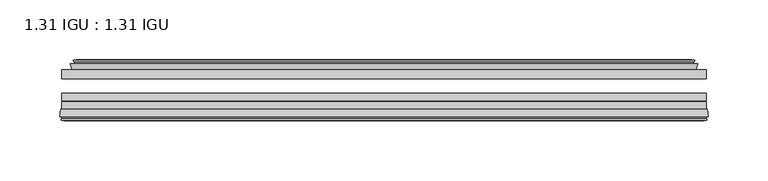
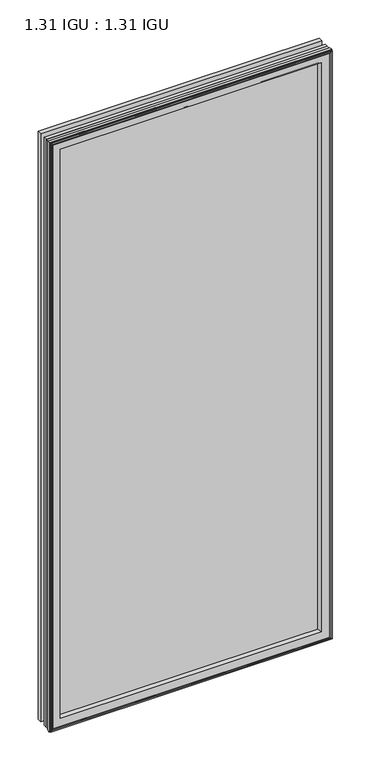
"""IFC4 building model written with IfcOpenShell, lengths in millimetres: plate geometry, 1.31 IGU : 1.31 IGU."""

import ifcopenshell
import ifcopenshell.guid

model = None  # the IFC model being written
_history = None  # IfcOwnerHistory: only IFC2X3 demands one
_inside = {}  # id of a spatial element -> (the spatial element, [elements in it])
_under = {}  # id of a project, library or spatial element -> (it, [spatial elements below it])
_declared = {}  # id of a project -> (the project, [libraries it declares])
_typed = {}  # id of a type object -> (the type object, [elements of that type])
_made_of = {}  # id of a material, layer set ... -> (it, [elements and type objects made of it])


def new_model(schema):
    """Start an empty IFC model of exactly this schema.

    Asked for "IFC4X3", IfcOpenShell would pick the latest addendum, in which some entities
    have other attributes; the version numbers below select the first issue.
    IFC2X3 requires an IfcOwnerHistory on every rooted entity: one is made here for all.
    """
    global model, _history
    if schema == "IFC4X3":
        model = ifcopenshell.file(schema_version=(4, 3, 0, 0))
    else:
        model = ifcopenshell.file(schema=schema)
    _inside.clear()
    _under.clear()
    _declared.clear()
    _typed.clear()
    _made_of.clear()
    _history = None
    if model.schema == "IFC2X3":
        org = make("IfcOrganization", Name="unknown")
        user = make(
            "IfcPersonAndOrganization",
            ThePerson=make("IfcPerson", FamilyName="unknown"),
            TheOrganization=org,
        )
        app = make(
            "IfcApplication",
            ApplicationDeveloper=org,
            Version="unknown",
            ApplicationFullName="unknown",
            ApplicationIdentifier="unknown",
        )
        _history = make(
            "IfcOwnerHistory",
            OwningUser=user,
            OwningApplication=app,
            ChangeAction="ADDED",
            CreationDate=0,
        )
    return model


def make(cls, **values):
    """One entity of the class cls with the attributes given. An attribute that is None is left unset."""
    return model.create_entity(
        cls, **{name: value for name, value in values.items() if value is not None}
    )


def rooted(cls, **values):
    """An entity with a GlobalId (a new one), such as an element, a storey or a relation."""
    return make(cls, GlobalId=ifcopenshell.guid.new(), OwnerHistory=_history, **values)


def si_unit(unit_type, name, prefix=None):
    """IfcSIUnit, for example si_unit("LENGTHUNIT", "METRE", prefix="MILLI")."""
    return make("IfcSIUnit", UnitType=unit_type, Prefix=prefix, Name=name)


def assignment(units):
    """IfcUnitAssignment: the units of a project."""
    return None if units is None else make("IfcUnitAssignment", Units=units)


def point(xyz):
    """IfcCartesianPoint."""
    return None if xyz is None else make("IfcCartesianPoint", Coordinates=xyz)


def direction(xyz):
    """IfcDirection."""
    return None if xyz is None else make("IfcDirection", DirectionRatios=xyz)


def frame(location, z_axis=None, x_axis=None):
    """IfcAxis2Placement3D, a coordinate frame: its origin and axes. An axis left out is left unset."""
    return make(
        "IfcAxis2Placement3D",
        Location=point(location),
        Axis=direction(z_axis),
        RefDirection=direction(x_axis),
    )


def origin():
    """The frame at (0, 0, 0) with its axes left unset."""
    return frame((0.0, 0.0, 0.0))


def place(relative_to, where):
    """IfcLocalPlacement: puts the frame where relative to a parent placement (None: the world)."""
    return make(
        "IfcLocalPlacement", PlacementRelTo=relative_to, RelativePlacement=where
    )


def context(
    kind, dimensions, precision=None, world=None, true_north=None, identifier=None
):
    """IfcGeometricRepresentationContext, for example the 3D "Model" context."""
    return make(
        "IfcGeometricRepresentationContext",
        ContextIdentifier=identifier,
        ContextType=kind,
        CoordinateSpaceDimension=dimensions,
        Precision=precision,
        WorldCoordinateSystem=world,
        TrueNorth=true_north,
    )


def project(units=None, contexts=None):
    """IfcProject with its units and contexts."""
    return rooted(
        "IfcProject",
        Name="project",
        RepresentationContexts=contexts,
        UnitsInContext=assignment(units),
    )


def spatial(cls, under=None, at=None, **own):
    """A site, building, storey or space (cls), placed at a placement, below another one or the project."""
    s = rooted(cls, ObjectPlacement=at, **own)
    if under is not None:
        _under.setdefault(under.id(), (under, []))[1].append(s)
    return s


def polyline(points):
    """IfcPolyline through the points."""
    return make("IfcPolyline", Points=[point(p) for p in points])


def ellipse_curve(where, semi_axis1, semi_axis2):
    """IfcEllipse in the frame where."""
    return make(
        "IfcEllipse", Position=where, SemiAxis1=semi_axis1, SemiAxis2=semi_axis2
    )


def outline(outer, holes=None, kind="AREA"):
    """IfcArbitraryClosedProfileDef: a profile drawn as a closed curve; with holes, ...WithVoids."""
    if holes is None:
        return make("IfcArbitraryClosedProfileDef", ProfileType=kind, OuterCurve=outer)
    return make(
        "IfcArbitraryProfileDefWithVoids",
        ProfileType=kind,
        OuterCurve=outer,
        InnerCurves=holes,
    )


def extrude(swept, where, along, depth):
    """IfcExtrudedAreaSolid: the profile swept, set in the frame where, extruded along a direction by depth."""
    return make(
        "IfcExtrudedAreaSolid",
        SweptArea=swept,
        Position=where,
        ExtrudedDirection=direction(along),
        Depth=depth,
    )


def faces_of(points, faces, orient=None, outer=None):
    """IfcFace entities. A face is a list of loops; a loop is a list of indices into points, from 0.

    orient and outer hold one flag for each loop. By default every Orientation is true, the
    first loop of a face is its IfcFaceOuterBound and the others are IfcFaceBound.
    """
    made = []
    for i, loops in enumerate(faces):
        bounds = []
        for j, loop in enumerate(loops):
            is_outer = j == 0 if outer is None else outer[i][j]
            bounds.append(
                make(
                    "IfcFaceOuterBound" if is_outer else "IfcFaceBound",
                    Bound=make("IfcPolyLoop", Polygon=[points[k] for k in loop]),
                    Orientation=True if orient is None else orient[i][j],
                )
            )
        made.append(make("IfcFace", Bounds=bounds))
    return made


def faceted_brep(points, faces, orient=None, outer=None, voids=None):
    """IfcFacetedBrep: a solid bounded by flat faces; with voids (closed shells), ...WithVoids."""
    shared = [point(p) for p in points]
    hull = make("IfcClosedShell", CfsFaces=faces_of(shared, faces, orient, outer))
    if voids is None:
        return make("IfcFacetedBrep", Outer=hull)
    return make(
        "IfcFacetedBrepWithVoids",
        Outer=hull,
        Voids=[
            make(cls, CfsFaces=faces_of(shared, fs, o, b)) for cls, fs, o, b in voids
        ],
    )


def shape(context_of_items, identifier, shape_type, items):
    """IfcShapeRepresentation: the items that make up one representation, for example the "Body"."""
    return make(
        "IfcShapeRepresentation",
        ContextOfItems=context_of_items,
        RepresentationIdentifier=identifier,
        RepresentationType=shape_type,
        Items=items,
    )


def source(mapping_origin, context_of_items, identifier, shape_type, items):
    """IfcRepresentationMap: a shape defined once, which mapped items show again and again."""
    return make(
        "IfcRepresentationMap",
        MappingOrigin=mapping_origin,
        MappedRepresentation=shape(context_of_items, identifier, shape_type, items),
    )


def transform(
    local_origin,
    x_axis=None,
    y_axis=None,
    z_axis=None,
    scale=None,
    scale2=None,
    scale3=None,
    uniform=True,
):
    """IfcCartesianTransformationOperator3D, or its non-uniform kind. x_axis, y_axis, z_axis: its Axis1, 2, 3."""
    if uniform:
        return make(
            "IfcCartesianTransformationOperator3D",
            Axis1=direction(x_axis),
            Axis2=direction(y_axis),
            LocalOrigin=point(local_origin),
            Scale=scale,
            Axis3=direction(z_axis),
        )
    return make(
        "IfcCartesianTransformationOperator3DnonUniform",
        Axis1=direction(x_axis),
        Axis2=direction(y_axis),
        LocalOrigin=point(local_origin),
        Scale=scale,
        Axis3=direction(z_axis),
        Scale2=scale2,
        Scale3=scale3,
    )


def mapped(mapping_source, mapping_target):
    """IfcMappedItem: shows the shape of a source again, moved by a transform."""
    return make(
        "IfcMappedItem", MappingSource=mapping_source, MappingTarget=mapping_target
    )


def made_of(thing, what):
    """Note that an element or type object is made of a material, layer set ...; save() writes the relation."""
    if what is not None:
        _made_of.setdefault(what.id(), (what, []))[1].append(thing)
    return thing


def element(
    cls,
    number,
    at=None,
    inside=None,
    cuts=None,
    type_object=None,
    material=None,
    context=None,
    identifier="Body",
    shape_type=None,
    held_by="IfcProductDefinitionShape",
    body=None,
    shapes=None,
    **own,
):
    """One element of the class cls, such as IfcWall. Its Tag is "e" and its number.

    at: its placement. inside: the storey or other place that contains it. cuts: it is an
    opening in that element (IfcRelVoidsElement). A single representation is given by context,
    identifier, shape_type and body (its items); several are given by shapes. held_by: the class
    of the entity that holds the representations. save() writes the other relations.
    """
    e = rooted(cls, Tag="e%d" % number, ObjectPlacement=at, **own)
    if body is not None:
        shapes = [shape(context, identifier, shape_type, body)]
    if shapes is not None:
        e.Representation = make(held_by, Representations=shapes)
    if inside is not None:
        _inside.setdefault(inside.id(), (inside, []))[1].append(e)
    if cuts is not None:
        rooted(
            "IfcRelVoidsElement", RelatingBuildingElement=cuts, RelatedOpeningElement=e
        )
    if type_object is not None:
        _typed.setdefault(type_object.id(), (type_object, []))[1].append(e)
    return made_of(e, material)


def aggregate(whole, parts):
    """IfcRelAggregates: a whole, such as a stair, and the parts it consists of."""
    return rooted("IfcRelAggregates", RelatingObject=whole, RelatedObjects=parts)


def save(model, path):
    """Write the relations noted so far, then the file.

    IfcRelAggregates (storeys below a building ...), IfcRelContainedInSpatialStructure (elements
    in a storey), IfcRelDefinesByType, IfcRelAssociatesMaterial and IfcRelDeclares: one each for
    every whole, place, type object, material and project.
    """
    for whole, parts in _under.values():
        aggregate(whole, parts)
    for where, things in _inside.values():
        rooted(
            "IfcRelContainedInSpatialStructure",
            RelatedElements=things,
            RelatingStructure=where,
        )
    for kind, things in _typed.values():
        rooted("IfcRelDefinesByType", RelatedObjects=things, RelatingType=kind)
    for what, things in _made_of.values():
        rooted("IfcRelAssociatesMaterial", RelatedObjects=things, RelatingMaterial=what)
    for by, libraries in _declared.values():
        rooted("IfcRelDeclares", RelatingContext=by, RelatedDefinitions=libraries)
    model.write(path)


def plane_surface(at):
    """IfcPlane: the flat surface through the origin of the frame at, square to its z axis."""
    return make("IfcPlane", Position=at)


def revolved_surface(curve, axis_point, axis_direction):
    """IfcSurfaceOfRevolution: the curve turned about the line through axis_point along axis_direction."""
    return make(
        "IfcSurfaceOfRevolution",
        SweptCurve=make("IfcArbitraryOpenProfileDef", ProfileType="CURVE", Curve=curve),
        AxisPosition=make("IfcAxis1Placement", Location=point(axis_point), Axis=direction(axis_direction)),
    )


def advanced_brep(points, edges, surfaces, faces):
    """IfcAdvancedBrep: a solid bounded by faces that lie on surfaces and meet in shared edges.

    An edge is (start, end): straight between two places in points (the first is 0);
    or (start, end, curve); or (start, end, curve, False) where it runs against its curve.
    A face is (place in surfaces, loops), or (place, loops, False) where it looks against
    its surface's normal. A loop lists edges by number (the first is 1), with a minus sign
    where the edge is run from its end to its start. The first loop is the outer one.
    """
    corners = [point(p) for p in points]
    vertices = [make("IfcVertexPoint", VertexGeometry=c) for c in corners]
    made = []
    for start, end, *more in edges:
        made.append(
            make(
                "IfcEdgeCurve",
                EdgeStart=vertices[start],
                EdgeEnd=vertices[end],
                EdgeGeometry=more[0] if more else make("IfcPolyline", Points=[corners[start], corners[end]]),
                SameSense=more[1] if len(more) > 1 else True,
            )
        )
    hull = []
    for where, loops, *sense in faces:
        bounds = []
        for j, loop in enumerate(loops):
            ring = [make("IfcOrientedEdge", EdgeElement=made[abs(k) - 1], Orientation=k > 0) for k in loop]
            bounds.append(
                make(
                    "IfcFaceOuterBound" if j == 0 else "IfcFaceBound",
                    Bound=make("IfcEdgeLoop", EdgeList=ring),
                    Orientation=True,
                )
            )
        hull.append(make("IfcAdvancedFace", Bounds=bounds, FaceSurface=surfaces[where], SameSense=sense[0] if sense else True))
    return make("IfcAdvancedBrep", Outer=make("IfcClosedShell", CfsFaces=hull))


def plate_1_31_igu_1_31_igu_ef338172(model_context):
    return source(origin(), model_context, "Body", "SolidModel", [
        extrude(outline(polyline([(269.875, -17.9712937), (269.875, -25.8960937), (-269.875, -25.8960937), (-269.875, -17.9712937), (269.875, -17.9712937)])), frame((0.0, 0.0, -19.05), z_axis=(0.0, 0.0, 1.0), x_axis=(1.0, 0.0, 0.0)), (0.0, 0.0, 1.0), 1193.8),
        extrude(outline(polyline([(-269.875, -51.2960937), (-269.875, -44.9460937), (269.875, -44.9460937), (269.875, -51.2960937), (-269.875, -51.2960937)])), frame((0.0, 0.0, -19.05), z_axis=(0.0, 0.0, 1.0), x_axis=(1.0, 0.0, 0.0)), (0.0, 0.0, 1.0), 1193.8),
        extrude(outline(polyline([(-269.875, -44.1586938), (-269.875, -37.8086938), (269.875, -37.8086938), (269.875, -44.1586938), (-269.875, -44.1586938)])), frame((0.0, 0.0, -19.05), z_axis=(0.0, 0.0, 1.0), x_axis=(1.0, 0.0, 0.0)), (0.0, 0.0, 1.0), 1193.8),
        faceted_brep([(-260.9564005, -17.9712937, 1165.8314005), (-262.6006337, -13.1960937, 1167.4756337), (-262.6006337, -13.1960937, -11.7756337), (-260.9564005, -17.9712937, -10.1314005), (-251.3457, -13.1960937, 1156.2207), (-250.1762695, -17.9712937, 1155.0512695), (-250.1762695, -17.9712937, 0.6487305), (-251.3457, -13.1960937, -0.5207), (-256.9104203, -10.902778, 1161.7854203), (-256.2959281, -13.1960937, 1161.1709281), (-256.2959281, -13.1960937, -5.4709281), (-256.9104203, -10.902778, -6.0854203), (-255.5181709, -11.27583, 1160.3931709), (-255.5181709, -11.27583, -4.6931709), (-255.2868537, -10.4125422, 1160.1618537), (-255.2868537, -10.4125422, -4.4618537), (-257.6957, -9.7670937, 1162.5707), (-257.6957, -9.7670937, -6.8707), (-260.1045463, -10.4125422, 1164.9795463), (-260.1045463, -10.4125422, -9.2795463), (-259.8732291, -11.27583, 1164.7482291), (-259.8732291, -11.27583, -9.0482291), (-258.4864014, -10.9042307, 1163.3614014), (-258.4864014, -10.9042307, -7.6614014), (-259.2310729, -13.1960937, 1164.1060729), (-259.2310729, -13.1960937, -8.4060729), (262.6006337, -13.1960937, -11.7756337), (260.9564005, -17.9712937, -10.1314005), (250.1762695, -17.9712937, 0.6487305), (251.3457, -13.1960937, -0.5207), (256.2959281, -13.1960937, -5.4709281), (256.9104203, -10.902778, -6.0854203), (255.5181709, -11.27583, -4.6931709), (255.2868537, -10.4125422, -4.4618537), (257.6957, -9.7670937, -6.8707), (260.1045463, -10.4125422, -9.2795463), (259.8732291, -11.27583, -9.0482291), (258.4864014, -10.9042307, -7.6614014), (259.2310729, -13.1960937, -8.4060729), (262.6006337, -13.1960937, 1167.4756337), (260.9564005, -17.9712937, 1165.8314005), (250.1762695, -17.9712937, 1155.0512695), (251.3457, -13.1960937, 1156.2207), (256.2959281, -13.1960937, 1161.1709281), (256.9104203, -10.902778, 1161.7854203), (255.5181709, -11.27583, 1160.3931709), (255.2868537, -10.4125422, 1160.1618537), (257.6957, -9.7670937, 1162.5707), (260.1045463, -10.4125422, 1164.9795463), (259.8732291, -11.27583, 1164.7482291), (258.4864014, -10.9042307, 1163.3614014), (259.2310729, -13.1960937, 1164.1060729)], [[[0, 1, 2, 3]], [[4, 5, 6, 7]], [[8, 9, 10, 11]], [[12, 8, 11, 13]], [[14, 12, 13, 15]], [[16, 14, 15, 17]], [[18, 16, 17, 19]], [[20, 18, 19, 21]], [[22, 20, 21, 23]], [[24, 22, 23, 25]], [[3, 2, 26, 27]], [[7, 6, 28, 29]], [[11, 10, 30, 31]], [[13, 11, 31, 32]], [[15, 13, 32, 33]], [[17, 15, 33, 34]], [[19, 17, 34, 35]], [[21, 19, 35, 36]], [[23, 21, 36, 37]], [[25, 23, 37, 38]], [[27, 26, 39, 40]], [[29, 28, 41, 42]], [[31, 30, 43, 44]], [[32, 31, 44, 45]], [[33, 32, 45, 46]], [[34, 33, 46, 47]], [[35, 34, 47, 48]], [[36, 35, 48, 49]], [[37, 36, 49, 50]], [[38, 37, 50, 51]], [[40, 39, 1, 0]], [[3, 27, 40, 0], [5, 41, 28, 6]], [[42, 41, 5, 4]], [[9, 43, 30, 10], [7, 29, 42, 4]], [[44, 43, 9, 8]], [[45, 44, 8, 12]], [[46, 45, 12, 14]], [[47, 46, 14, 16]], [[48, 47, 16, 18]], [[49, 48, 18, 20]], [[50, 49, 20, 22]], [[51, 50, 22, 24]], [[1, 39, 26, 2], [25, 38, 51, 24]]]),
        advanced_brep(
        [(-247.1876851, -51.2960937, 1152.0626851), (-250.825, -57.6460937, 1155.7), (-250.825, -57.6460937, 0.0), (-247.1876851, -51.2960937, 3.6373149), (-271.4707783, -57.6460937, 1176.3457783), (-270.6910964, -51.2960937, 1175.5660964), (-270.6910964, -51.2960937, -19.8660964), (-271.4707783, -57.6460937, -20.6457783), (-269.0707744, -59.6558685, 1173.9457744), (-269.5298013, -57.6460937, 1174.4048013), (-269.5298013, -57.6460937, -18.7048013), (-269.0707744, -59.6558685, -18.2457744), (-270.0544588, -59.3738016, 1174.9294588), (-270.0544588, -59.3738016, -19.2294588), (-270.3079433, -60.2578071, 1175.1829433), (-270.3079433, -60.2578071, -19.4829433), (-268.2849998, -60.8378768, 1173.1599998), (-268.2849998, -60.8378768, -17.4599998), (-266.2413389, -60.2902795, 1171.1163389), (-266.2413389, -60.2902795, -15.4163389), (-266.4862083, -59.3764147, 1171.3612083), (-266.4862083, -59.3764147, -15.6612083), (-267.5088421, -59.6504286, 1172.3838421), (-267.5088421, -59.6504286, -16.6838421), (-267.0461049, -57.6460937, 1171.9211049), (-267.0461049, -57.6460937, -16.2211049), (250.825, -57.6460938, 0.0), (247.1876851, -51.2960937, 3.6373149), (270.6910964, -51.2960937, -19.8660964), (271.4707783, -57.6460938, -20.6457783), (269.5298013, -57.6460938, -18.7048013), (269.0707744, -59.6558685, -18.2457744), (270.0544588, -59.3738016, -19.2294588), (270.3079433, -60.2578071, -19.4829433), (268.2849998, -60.8378768, -17.4599998), (266.2413389, -60.2902795, -15.4163389), (266.4862083, -59.3764147, -15.6612083), (267.5088421, -59.6504286, -16.6838421), (267.0461049, -57.6460938, -16.2211049), (250.825, -57.6460938, 1155.7), (247.1876851, -51.2960937, 1152.0626851), (270.6910964, -51.2960937, 1175.5660964), (271.4707783, -57.6460938, 1176.3457783), (269.5298013, -57.6460938, 1174.4048013), (269.0707744, -59.6558685, 1173.9457744), (270.0544588, -59.3738016, 1174.9294588), (270.3079433, -60.2578071, 1175.1829433), (268.2849998, -60.8378768, 1173.1599998), (266.2413389, -60.2902795, 1171.1163389), (266.4862083, -59.3764147, 1171.3612083), (267.5088421, -59.6504286, 1172.3838421), (267.0461049, -57.6460938, 1171.9211049)],
        [
            (0, 1, ellipse_curve(frame((-242.394055, -58.2586484, 1147.269055), z_axis=(0.7071067811865475, 0.0, 0.7071067811865475), x_axis=(0.7071067811865474, 0.0, -0.7071067811865476)), 11.9545855, 8.4531685)),
            (1, 2),
            (2, 3, ellipse_curve(frame((-242.394055, -58.2586484, 8.430945), z_axis=(0.7071067811865475, 0.0, -0.7071067811865475), x_axis=(-0.7071067811865474, 0.0, -0.7071067811865476)), 11.9545855, 8.4531685)),
            (3, 0),
            (4, 5),
            (5, 6),
            (6, 7),
            (7, 4),
            (8, 9),
            (9, 10),
            (10, 11),
            (11, 8),
            (12, 8),
            (11, 13),
            (13, 12),
            (14, 12),
            (13, 15),
            (15, 14),
            (16, 14),
            (15, 17),
            (17, 16),
            (18, 16),
            (17, 19),
            (19, 18),
            (20, 18),
            (19, 21),
            (21, 20),
            (22, 20),
            (21, 23),
            (23, 22),
            (24, 22),
            (23, 25),
            (25, 24),
            (2, 26),
            (26, 27, ellipse_curve(frame((242.394055, -58.2586484, 8.430945), z_axis=(0.7071067811865475, 0.0, 0.7071067811865475), x_axis=(0.7071067811865476, 0.0, -0.7071067811865474)), 11.9545855, 8.4531685)),
            (27, 3),
            (6, 28),
            (28, 29),
            (29, 7),
            (10, 30),
            (30, 31),
            (31, 11),
            (31, 32),
            (32, 13),
            (32, 33),
            (33, 15),
            (33, 34),
            (34, 17),
            (34, 35),
            (35, 19),
            (35, 36),
            (36, 21),
            (36, 37),
            (37, 23),
            (37, 38),
            (38, 25),
            (26, 39),
            (39, 40, ellipse_curve(frame((242.394055, -58.2586484, 1147.269055), z_axis=(-0.7071067811865475, 0.0, 0.7071067811865475), x_axis=(0.7071067811865474, 0.0, 0.7071067811865476)), 11.9545855, 8.4531685)),
            (40, 27),
            (28, 41),
            (41, 42),
            (42, 29),
            (30, 43),
            (43, 44),
            (44, 31),
            (44, 45),
            (45, 32),
            (45, 46),
            (46, 33),
            (46, 47),
            (47, 34),
            (47, 48),
            (48, 35),
            (48, 49),
            (49, 36),
            (49, 50),
            (50, 37),
            (50, 51),
            (51, 38),
            (51, 24),
            (1, 39),
            (0, 40),
            (5, 41),
            (4, 42),
            (9, 43),
            (8, 44),
            (12, 45),
            (14, 46),
            (16, 47),
            (18, 48),
            (20, 49),
            (22, 50),
        ],
        [
            revolved_surface(polyline([(-250.8472235, -58.2586484, -0.02222347332440222), (-250.8472235, -58.2586484, 1155.7222234733244)]), (-242.394055, -58.2586484, 1187.45), (0.0, 0.0, -1.0)),
            plane_surface(frame((-270.6910964, -51.2960937, 1175.5660964), z_axis=(-0.9925461516413234, 0.12186934340513636, 0.0), x_axis=(0.0, 0.0, -1.0))),
            plane_surface(frame((-269.5298013, -57.6460937, 1174.4048013), z_axis=(-0.9748953990049445, -0.22266333555165796, 0.0), x_axis=(0.0, 0.0, -1.0))),
            plane_surface(frame((-269.0707744, -59.6558685, 1173.9457744), z_axis=(0.27563735581726606, 0.9612616959382424, 0.0), x_axis=(0.0, 0.0, -1.0))),
            plane_surface(frame((-270.0544588, -59.3738016, 1174.9294588), z_axis=(-0.9612616959382463, 0.2756373558172523, 0.0), x_axis=(0.0, 0.0, -1.0))),
            plane_surface(frame((-270.3079433, -60.2578071, 1175.1829433), z_axis=(-0.2756373558170135, -0.9612616959383148, 0.0), x_axis=(0.0, 0.0, -1.0))),
            plane_surface(frame((-268.2849998, -60.8378768, 1173.1599998), z_axis=(0.25881904510226056, -0.965925826289138, 0.0), x_axis=(0.0, 0.0, -1.0))),
            plane_surface(frame((-266.2413389, -60.2902795, 1171.1163389), z_axis=(0.9659258262891444, 0.25881904510223736, 0.0), x_axis=(0.0, 0.0, -1.0))),
            plane_surface(frame((-266.4862083, -59.3764147, 1171.3612083), z_axis=(-0.2588190451025015, 0.9659258262890735, 0.0), x_axis=(0.0, 0.0, -1.0))),
            plane_surface(frame((-267.5088421, -59.6504286, 1172.3838421), z_axis=(0.9743700647852117, -0.22495105434396695, 0.0), x_axis=(0.0, 0.0, -1.0))),
            revolved_surface(polyline([(250.8472234733244, -58.2586484, -0.02222350000000084), (-250.8472234733244, -58.2586484, -0.02222350000000084)]), (-282.575, -58.2586484, 8.430945), (1.0, 0.0, 0.0)),
            plane_surface(frame((-270.6910964, -51.2960937, -19.8660964), z_axis=(0.0, 0.12186934340513315, -0.9925461516413239), x_axis=(1.0, 0.0, 0.0))),
            plane_surface(frame((-269.5298013, -57.6460937, -18.7048013), z_axis=(0.0, -0.22266333555166112, -0.9748953990049438), x_axis=(1.0, 0.0, 0.0))),
            plane_surface(frame((-269.0707744, -59.6558685, -18.2457744), z_axis=(0.0, 0.9612616959382433, 0.27563735581726295), x_axis=(1.0, 0.0, 0.0))),
            plane_surface(frame((-270.0544588, -59.3738016, -19.2294588), z_axis=(0.0, 0.2756373558172492, -0.9612616959382472), x_axis=(1.0, 0.0, 0.0))),
            plane_surface(frame((-270.3079433, -60.2578071, -19.4829433), z_axis=(0.0, -0.9612616959383157, -0.2756373558170104), x_axis=(1.0, 0.0, 0.0))),
            plane_surface(frame((-268.2849998, -60.8378768, -17.4599998), z_axis=(0.0, -0.9659258262891373, 0.2588190451022637), x_axis=(1.0, 0.0, 0.0))),
            plane_surface(frame((-266.2413389, -60.2902795, -15.4163389), z_axis=(0.0, 0.25881904510224046, 0.9659258262891435), x_axis=(1.0, 0.0, 0.0))),
            plane_surface(frame((-266.4862083, -59.3764147, -15.6612083), z_axis=(0.0, 0.9659258262890726, -0.2588190451025046), x_axis=(1.0, 0.0, 0.0))),
            plane_surface(frame((-267.5088421, -59.6504286, -16.6838421), z_axis=(0.0, -0.22495105434396379, 0.9743700647852125), x_axis=(1.0, 0.0, 0.0))),
            revolved_surface(polyline([(250.8472235, -58.2586484, 1155.7222234733244), (250.8472235, -58.2586484, -0.022223473324370246)]), (242.394055, -58.2586484, -31.75), (0.0, 0.0, 1.0)),
            plane_surface(frame((270.6910964, -51.2960937, -19.8660964), z_axis=(0.9925461516413243, 0.12186934340512995, 0.0), x_axis=(0.0, 0.0, 1.0))),
            plane_surface(frame((269.5298013, -57.6460938, -18.7048013), z_axis=(0.9748953990049432, -0.2226633355516643, 0.0), x_axis=(0.0, 0.0, 1.0))),
            plane_surface(frame((269.0707744, -59.6558685, -18.2457744), z_axis=(-0.27563735581725984, 0.9612616959382442, 0.0), x_axis=(0.0, 0.0, 1.0))),
            plane_surface(frame((270.0544588, -59.3738016, -19.2294588), z_axis=(0.9612616959382481, 0.2756373558172461, 0.0), x_axis=(0.0, 0.0, 1.0))),
            plane_surface(frame((270.3079433, -60.2578071, -19.4829433), z_axis=(0.27563735581700727, -0.9612616959383166, 0.0), x_axis=(0.0, 0.0, 1.0))),
            plane_surface(frame((268.2849998, -60.8378768, -17.4599998), z_axis=(-0.25881904510226683, -0.9659258262891364, 0.0), x_axis=(0.0, 0.0, 1.0))),
            plane_surface(frame((266.2413389, -60.2902795, -15.4163389), z_axis=(-0.9659258262891426, 0.2588190451022436, 0.0), x_axis=(0.0, 0.0, 1.0))),
            plane_surface(frame((266.4862083, -59.3764147, -15.6612083), z_axis=(0.2588190451025077, 0.9659258262890718, 0.0), x_axis=(0.0, 0.0, 1.0))),
            plane_surface(frame((267.5088421, -59.6504286, -16.6838421), z_axis=(-0.9743700647852133, -0.22495105434396062, 0.0), x_axis=(0.0, 0.0, 1.0))),
            plane_surface(frame((267.0461049, -57.6460938, 1171.9211049), z_axis=(0.0, -1.0, 0.0), x_axis=(-1.0, 0.0, 0.0))),
            revolved_surface(polyline([(-250.8472234733244, -58.2586484, 1155.7222235), (250.8472234733244, -58.2586484, 1155.7222235)]), (282.575, -58.2586484, 1147.269055), (-1.0, 0.0, 0.0)),
            plane_surface(frame((247.1876851, -51.2960937, 1152.0626851), z_axis=(0.0, 1.0, 0.0), x_axis=(-1.0, 0.0, 0.0))),
            plane_surface(frame((270.6910964, -51.2960937, 1175.5660964), z_axis=(0.0, 0.12186934340513315, 0.9925461516413239), x_axis=(-1.0, 0.0, 0.0))),
            plane_surface(frame((271.4707783, -57.6460938, 1176.3457783), z_axis=(0.0, -1.0, 0.0), x_axis=(-1.0, 0.0, 0.0))),
            plane_surface(frame((269.5298013, -57.6460938, 1174.4048013), z_axis=(0.0, -0.22266333555166112, 0.9748953990049438), x_axis=(-1.0, 0.0, 0.0))),
            plane_surface(frame((269.0707744, -59.6558685, 1173.9457744), z_axis=(0.0, 0.9612616959382433, -0.27563735581726295), x_axis=(-1.0, 0.0, 0.0))),
            plane_surface(frame((270.0544588, -59.3738016, 1174.9294588), z_axis=(0.0, 0.2756373558172492, 0.9612616959382472), x_axis=(-1.0, 0.0, 0.0))),
            plane_surface(frame((270.3079433, -60.2578071, 1175.1829433), z_axis=(0.0, -0.9612616959383157, 0.2756373558170104), x_axis=(-1.0, 0.0, 0.0))),
            plane_surface(frame((268.2849998, -60.8378768, 1173.1599998), z_axis=(0.0, -0.9659258262891373, -0.2588190451022637), x_axis=(-1.0, 0.0, 0.0))),
            plane_surface(frame((266.2413389, -60.2902795, 1171.1163389), z_axis=(0.0, 0.25881904510224046, -0.9659258262891435), x_axis=(-1.0, 0.0, 0.0))),
            plane_surface(frame((266.4862083, -59.3764147, 1171.3612083), z_axis=(0.0, 0.9659258262890726, 0.2588190451025046), x_axis=(-1.0, 0.0, 0.0))),
            plane_surface(frame((267.5088421, -59.6504286, 1172.3838421), z_axis=(0.0, -0.22495105434396379, -0.9743700647852125), x_axis=(-1.0, 0.0, 0.0))),
        ],
        [
            (0, [[1, 2, 3, 4]]),
            (1, [[5, 6, 7, 8]]),
            (2, [[9, 10, 11, 12]]),
            (3, [[13, -12, 14, 15]]),
            (4, [[16, -15, 17, 18]]),
            (5, [[19, -18, 20, 21]]),
            (6, [[22, -21, 23, 24]]),
            (7, [[25, -24, 26, 27]]),
            (8, [[28, -27, 29, 30]]),
            (9, [[31, -30, 32, 33]]),
            (10, [[-3, 34, 35, 36]]),
            (11, [[-7, 37, 38, 39]]),
            (12, [[-11, 40, 41, 42]]),
            (13, [[-14, -42, 43, 44]]),
            (14, [[-17, -44, 45, 46]]),
            (15, [[-20, -46, 47, 48]]),
            (16, [[-23, -48, 49, 50]]),
            (17, [[-26, -50, 51, 52]]),
            (18, [[-29, -52, 53, 54]]),
            (19, [[-32, -54, 55, 56]]),
            (20, [[-35, 57, 58, 59]]),
            (21, [[-38, 60, 61, 62]]),
            (22, [[-41, 63, 64, 65]]),
            (23, [[-43, -65, 66, 67]]),
            (24, [[-45, -67, 68, 69]]),
            (25, [[-47, -69, 70, 71]]),
            (26, [[-49, -71, 72, 73]]),
            (27, [[-51, -73, 74, 75]]),
            (28, [[-53, -75, 76, 77]]),
            (29, [[-55, -77, 78, 79]]),
            (30, [[-56, -79, 80, -33], [81, -57, -34, -2]]),
            (31, [[-58, -81, -1, 82]]),
            (32, [[83, -60, -37, -6], [-36, -59, -82, -4]]),
            (33, [[-61, -83, -5, 84]]),
            (34, [[-39, -62, -84, -8], [85, -63, -40, -10]]),
            (35, [[-64, -85, -9, 86]]),
            (36, [[-66, -86, -13, 87]]),
            (37, [[-68, -87, -16, 88]]),
            (38, [[-70, -88, -19, 89]]),
            (39, [[-72, -89, -22, 90]]),
            (40, [[-74, -90, -25, 91]]),
            (41, [[-76, -91, -28, 92]]),
            (42, [[-78, -92, -31, -80]]),
        ],
    ),
    ])


if __name__ == "__main__":
    model = new_model("IFC4")
    model_context = context("Model", 3, world=origin())
    ifc_project = project(units=[si_unit("LENGTHUNIT", "METRE", prefix="MILLI")], contexts=[model_context])
    site = spatial("IfcSite", under=ifc_project)
    building = spatial("IfcBuilding", under=site)
    placement = place(None, origin())
    plate_1_31_igu_1_31_igu_shape = plate_1_31_igu_1_31_igu_ef338172(model_context)
    element("IfcPlate", 1, ObjectType="1.31 IGU : 1.31 IGU", at=placement, inside=building, context=model_context, shape_type="MappedRepresentation", body=[
        mapped(plate_1_31_igu_1_31_igu_shape, transform((0.0, 0.0, 0.0), x_axis=(1.0, 0.0, 0.0), y_axis=(0.0, 1.0, 0.0), z_axis=(0.0, 0.0, 1.0))),
    ])
    save(model, "model.ifc")
